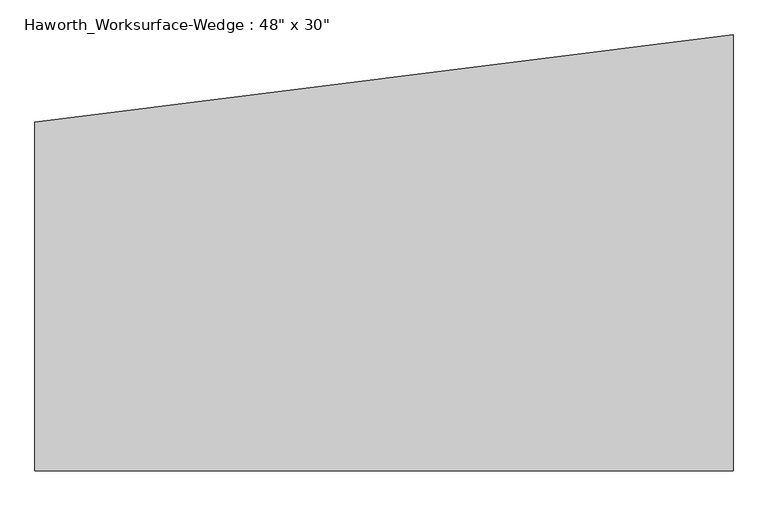
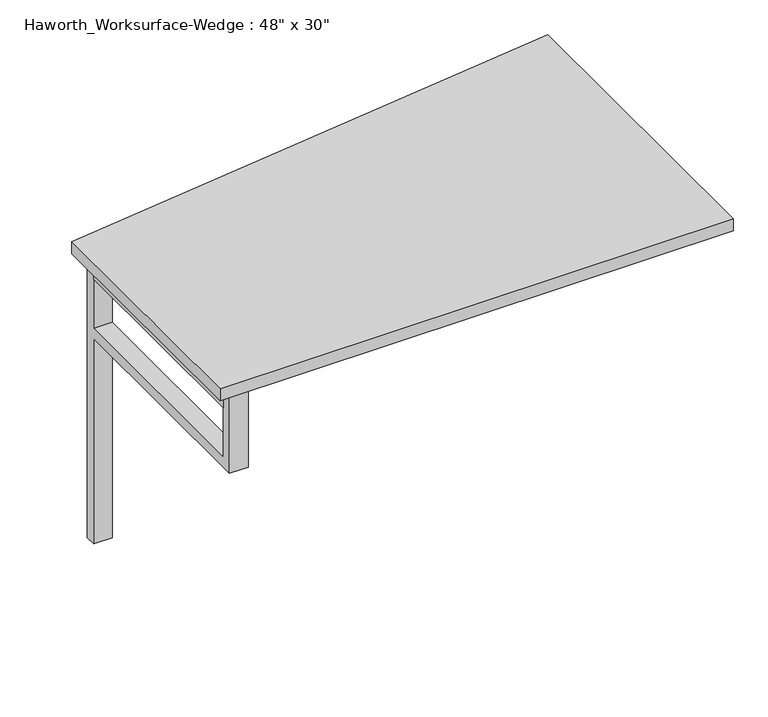
"""IFC4 building model written with IfcOpenShell, lengths in millimetres: furniture geometry."""

import ifcopenshell
import ifcopenshell.guid

model = None  # the IFC model being written
_history = None  # IfcOwnerHistory: only IFC2X3 demands one
_inside = {}  # id of a spatial element -> (the spatial element, [elements in it])
_under = {}  # id of a project, library or spatial element -> (it, [spatial elements below it])
_declared = {}  # id of a project -> (the project, [libraries it declares])
_typed = {}  # id of a type object -> (the type object, [elements of that type])
_made_of = {}  # id of a material, layer set ... -> (it, [elements and type objects made of it])


def new_model(schema):
    """Start an empty IFC model of exactly this schema.

    Asked for "IFC4X3", IfcOpenShell would pick the latest addendum, in which some entities
    have other attributes; the version numbers below select the first issue.
    IFC2X3 requires an IfcOwnerHistory on every rooted entity: one is made here for all.
    """
    global model, _history
    if schema == "IFC4X3":
        model = ifcopenshell.file(schema_version=(4, 3, 0, 0))
    else:
        model = ifcopenshell.file(schema=schema)
    _inside.clear()
    _under.clear()
    _declared.clear()
    _typed.clear()
    _made_of.clear()
    _history = None
    if model.schema == "IFC2X3":
        org = make("IfcOrganization", Name="unknown")
        user = make(
            "IfcPersonAndOrganization",
            ThePerson=make("IfcPerson", FamilyName="unknown"),
            TheOrganization=org,
        )
        app = make(
            "IfcApplication",
            ApplicationDeveloper=org,
            Version="unknown",
            ApplicationFullName="unknown",
            ApplicationIdentifier="unknown",
        )
        _history = make(
            "IfcOwnerHistory",
            OwningUser=user,
            OwningApplication=app,
            ChangeAction="ADDED",
            CreationDate=0,
        )
    return model


def make(cls, **values):
    """One entity of the class cls with the attributes given. An attribute that is None is left unset."""
    return model.create_entity(
        cls, **{name: value for name, value in values.items() if value is not None}
    )


def rooted(cls, **values):
    """An entity with a GlobalId (a new one), such as an element, a storey or a relation."""
    return make(cls, GlobalId=ifcopenshell.guid.new(), OwnerHistory=_history, **values)


def si_unit(unit_type, name, prefix=None):
    """IfcSIUnit, for example si_unit("LENGTHUNIT", "METRE", prefix="MILLI")."""
    return make("IfcSIUnit", UnitType=unit_type, Prefix=prefix, Name=name)


def assignment(units):
    """IfcUnitAssignment: the units of a project."""
    return None if units is None else make("IfcUnitAssignment", Units=units)


def point(xyz):
    """IfcCartesianPoint."""
    return None if xyz is None else make("IfcCartesianPoint", Coordinates=xyz)


def direction(xyz):
    """IfcDirection."""
    return None if xyz is None else make("IfcDirection", DirectionRatios=xyz)


def frame(location, z_axis=None, x_axis=None):
    """IfcAxis2Placement3D, a coordinate frame: its origin and axes. An axis left out is left unset."""
    return make(
        "IfcAxis2Placement3D",
        Location=point(location),
        Axis=direction(z_axis),
        RefDirection=direction(x_axis),
    )


def origin():
    """The frame at (0, 0, 0) with its axes left unset."""
    return frame((0.0, 0.0, 0.0))


def place(relative_to, where):
    """IfcLocalPlacement: puts the frame where relative to a parent placement (None: the world)."""
    return make(
        "IfcLocalPlacement", PlacementRelTo=relative_to, RelativePlacement=where
    )


def context(
    kind, dimensions, precision=None, world=None, true_north=None, identifier=None
):
    """IfcGeometricRepresentationContext, for example the 3D "Model" context."""
    return make(
        "IfcGeometricRepresentationContext",
        ContextIdentifier=identifier,
        ContextType=kind,
        CoordinateSpaceDimension=dimensions,
        Precision=precision,
        WorldCoordinateSystem=world,
        TrueNorth=true_north,
    )


def project(units=None, contexts=None):
    """IfcProject with its units and contexts."""
    return rooted(
        "IfcProject",
        Name="project",
        RepresentationContexts=contexts,
        UnitsInContext=assignment(units),
    )


def spatial(cls, under=None, at=None, **own):
    """A site, building, storey or space (cls), placed at a placement, below another one or the project."""
    s = rooted(cls, ObjectPlacement=at, **own)
    if under is not None:
        _under.setdefault(under.id(), (under, []))[1].append(s)
    return s


def polyline(points):
    """IfcPolyline through the points."""
    return make("IfcPolyline", Points=[point(p) for p in points])


def outline(outer, holes=None, kind="AREA"):
    """IfcArbitraryClosedProfileDef: a profile drawn as a closed curve; with holes, ...WithVoids."""
    if holes is None:
        return make("IfcArbitraryClosedProfileDef", ProfileType=kind, OuterCurve=outer)
    return make(
        "IfcArbitraryProfileDefWithVoids",
        ProfileType=kind,
        OuterCurve=outer,
        InnerCurves=holes,
    )


def extrude(swept, where, along, depth):
    """IfcExtrudedAreaSolid: the profile swept, set in the frame where, extruded along a direction by depth."""
    return make(
        "IfcExtrudedAreaSolid",
        SweptArea=swept,
        Position=where,
        ExtrudedDirection=direction(along),
        Depth=depth,
    )


def shape(context_of_items, identifier, shape_type, items):
    """IfcShapeRepresentation: the items that make up one representation, for example the "Body"."""
    return make(
        "IfcShapeRepresentation",
        ContextOfItems=context_of_items,
        RepresentationIdentifier=identifier,
        RepresentationType=shape_type,
        Items=items,
    )


def source(mapping_origin, context_of_items, identifier, shape_type, items):
    """IfcRepresentationMap: a shape defined once, which mapped items show again and again."""
    return make(
        "IfcRepresentationMap",
        MappingOrigin=mapping_origin,
        MappedRepresentation=shape(context_of_items, identifier, shape_type, items),
    )


def transform(
    local_origin,
    x_axis=None,
    y_axis=None,
    z_axis=None,
    scale=None,
    scale2=None,
    scale3=None,
    uniform=True,
):
    """IfcCartesianTransformationOperator3D, or its non-uniform kind. x_axis, y_axis, z_axis: its Axis1, 2, 3."""
    if uniform:
        return make(
            "IfcCartesianTransformationOperator3D",
            Axis1=direction(x_axis),
            Axis2=direction(y_axis),
            LocalOrigin=point(local_origin),
            Scale=scale,
            Axis3=direction(z_axis),
        )
    return make(
        "IfcCartesianTransformationOperator3DnonUniform",
        Axis1=direction(x_axis),
        Axis2=direction(y_axis),
        LocalOrigin=point(local_origin),
        Scale=scale,
        Axis3=direction(z_axis),
        Scale2=scale2,
        Scale3=scale3,
    )


def mapped(mapping_source, mapping_target):
    """IfcMappedItem: shows the shape of a source again, moved by a transform."""
    return make(
        "IfcMappedItem", MappingSource=mapping_source, MappingTarget=mapping_target
    )


def made_of(thing, what):
    """Note that an element or type object is made of a material, layer set ...; save() writes the relation."""
    if what is not None:
        _made_of.setdefault(what.id(), (what, []))[1].append(thing)
    return thing


def element(
    cls,
    number,
    at=None,
    inside=None,
    cuts=None,
    type_object=None,
    material=None,
    context=None,
    identifier="Body",
    shape_type=None,
    held_by="IfcProductDefinitionShape",
    body=None,
    shapes=None,
    **own,
):
    """One element of the class cls, such as IfcWall. Its Tag is "e" and its number.

    at: its placement. inside: the storey or other place that contains it. cuts: it is an
    opening in that element (IfcRelVoidsElement). A single representation is given by context,
    identifier, shape_type and body (its items); several are given by shapes. held_by: the class
    of the entity that holds the representations. save() writes the other relations.
    """
    e = rooted(cls, Tag="e%d" % number, ObjectPlacement=at, **own)
    if body is not None:
        shapes = [shape(context, identifier, shape_type, body)]
    if shapes is not None:
        e.Representation = make(held_by, Representations=shapes)
    if inside is not None:
        _inside.setdefault(inside.id(), (inside, []))[1].append(e)
    if cuts is not None:
        rooted(
            "IfcRelVoidsElement", RelatingBuildingElement=cuts, RelatedOpeningElement=e
        )
    if type_object is not None:
        _typed.setdefault(type_object.id(), (type_object, []))[1].append(e)
    return made_of(e, material)


def aggregate(whole, parts):
    """IfcRelAggregates: a whole, such as a stair, and the parts it consists of."""
    return rooted("IfcRelAggregates", RelatingObject=whole, RelatedObjects=parts)


def save(model, path):
    """Write the relations noted so far, then the file.

    IfcRelAggregates (storeys below a building ...), IfcRelContainedInSpatialStructure (elements
    in a storey), IfcRelDefinesByType, IfcRelAssociatesMaterial and IfcRelDeclares: one each for
    every whole, place, type object, material and project.
    """
    for whole, parts in _under.values():
        aggregate(whole, parts)
    for where, things in _inside.values():
        rooted(
            "IfcRelContainedInSpatialStructure",
            RelatedElements=things,
            RelatingStructure=where,
        )
    for kind, things in _typed.values():
        rooted("IfcRelDefinesByType", RelatedObjects=things, RelatingType=kind)
    for what, things in _made_of.values():
        rooted("IfcRelAssociatesMaterial", RelatedObjects=things, RelatingMaterial=what)
    for by, libraries in _declared.values():
        rooted("IfcRelDeclares", RelatingContext=by, RelatedDefinitions=libraries)
    model.write(path)


def furniture_17829454(model_context):
    return source(origin(), model_context, "Body", "SweptSolid", [
        extrude(outline(polyline([(609.6, -381.0), (-609.6, -381.0), (-609.6, 228.6), (609.6, 381.0), (609.6, -381.0)])), frame((0.0, 0.0, 706.4375), z_axis=(0.0, 0.0, 1.0), x_axis=(1.0, 0.0, 0.0)), (0.0, 0.0, 1.0), 30.1625),
        extrude(outline(polyline([(-542.925, -355.6), (-587.375, -355.6), (-587.375, 177.8), (-542.925, 177.8), (-542.925, -355.6)])), frame((0.0, 0.0, 665.1625), z_axis=(0.0, 0.0, 1.0), x_axis=(1.0, 0.0, 0.0)), (0.0, 0.0, 1.0), 41.275),
        extrude(outline(polyline([(177.8, 515.9375), (-381.0, 515.9375), (-381.0, 706.4375), (-355.6, 706.4375), (-355.6, 541.3375), (177.8, 541.3375), (177.8, 706.4375), (203.2, 706.4375), (203.2, 0.0), (177.8, 0.0), (177.8, 515.9375)])), frame((-587.375, 0.0, 0.0), z_axis=(1.0, 0.0, 0.0), x_axis=(0.0, 1.0, 0.0)), (0.0, 0.0, 1.0), 44.45),
    ])


if __name__ == "__main__":
    model = new_model("IFC4")
    model_context = context("Model", 3, world=origin())
    ifc_project = project(units=[si_unit("LENGTHUNIT", "METRE", prefix="MILLI")], contexts=[model_context])
    site = spatial("IfcSite", under=ifc_project)
    building = spatial("IfcBuilding", under=site)
    placement = place(None, origin())
    furniture_shape = furniture_17829454(model_context)
    element("IfcFurniture", 1, ObjectType="Haworth_Worksurface-Wedge : 48\" x 30\"", at=placement, inside=building, context=model_context, shape_type="MappedRepresentation", body=[
        mapped(furniture_shape, transform((0.0, 0.0, 0.0), x_axis=(1.0, 0.0, 0.0), y_axis=(0.0, 1.0, 0.0), z_axis=(0.0, 0.0, 1.0))),
    ])
    save(model, "model.ifc")
